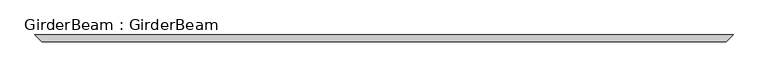
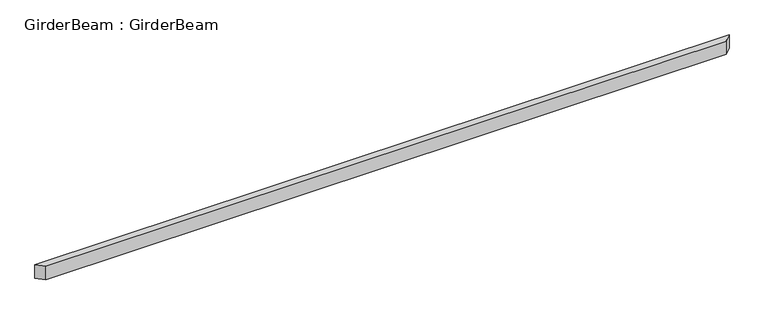
"""IFC4 building model written with IfcOpenShell, lengths in millimetres: beam geometry, GirderBeam : GirderBeam."""

from ifc_helpers import new_model, si_unit, frame, origin, place, context, project, spatial, polyline, outline, extrude, source, transform, mapped, element, save


def girderbeam_girderbeam_989ce317(model_context):
    return source(origin(), model_context, "Body", "SweptSolid", [
        extrude(outline(polyline([(2431.4101615, -25.0), (-2431.4101615, -25.0), (-2481.4101615, 25.0), (2481.4101615, 25.0), (2431.4101615, -25.0)])), frame((0.0, 0.0, -221.2435565), z_axis=(0.0, 0.0, 1.0), x_axis=(1.0, 0.0, 0.0)), (0.0, 0.0, 1.0), 100.0),
    ])


if __name__ == "__main__":
    model = new_model("IFC4")
    model_context = context("Model", 3, world=origin())
    ifc_project = project(units=[si_unit("LENGTHUNIT", "METRE", prefix="MILLI")], contexts=[model_context])
    site = spatial("IfcSite", under=ifc_project)
    building = spatial("IfcBuilding", under=site)
    placement = place(None, origin())
    girderbeam_girderbeam_shape = girderbeam_girderbeam_989ce317(model_context)
    element("IfcBeam", 1, ObjectType="GirderBeam : GirderBeam", at=placement, inside=building, context=model_context, shape_type="MappedRepresentation", body=[
        mapped(girderbeam_girderbeam_shape, transform((0.0, 0.0, 0.0), x_axis=(1.0, 0.0, 0.0), y_axis=(0.0, 1.0, 0.0), z_axis=(0.0, 0.0, 1.0))),
    ])
    save(model, "model.ifc")
